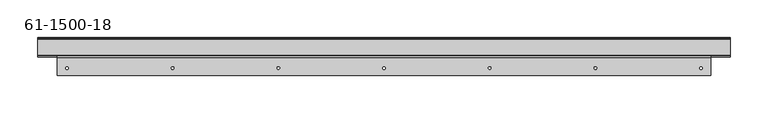
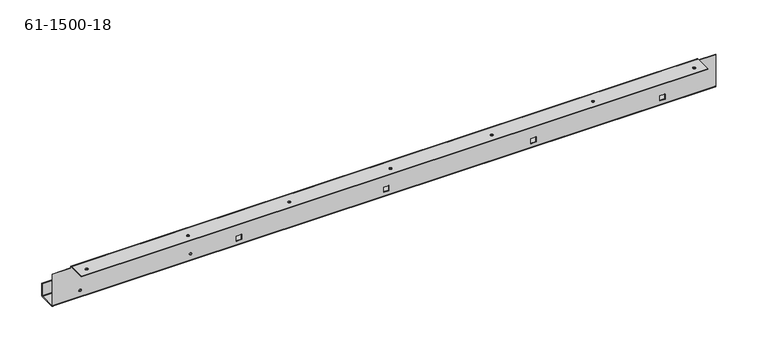
"""IFC4 building model written with IfcOpenShell, lengths in millimetres: proxy geometry, 61-1500-18."""

from ifc_helpers import new_model, si_unit, frame, origin, place, context, project, spatial, polyline, circle_curve, source, transform, mapped, element, save
from ifc_brep_helpers import plane_surface, cylinder_surface, revolved_surface, advanced_brep


def proxy_61_1500_18_3c8a4943(model_context):
    return source(origin(), model_context, "Body", "AdvancedBrep", [
        advanced_brep(
        [(-29.9940104, 25.0828774, -39.15156), (-29.9940104, 25.9363174, -39.15156), (-33.0420104, 25.9363174, -39.15156), (-33.0420104, 25.0828774, -39.15156), (-29.9940104, 49.6294374, -39.15156), (-29.9940104, 50.4828774, -39.15156), (-33.0420104, 50.4828774, -39.15156), (-33.0420104, 49.6294374, -39.15156), (-182.3940104, 25.0828774, -39.15156), (-182.3940104, 25.9363174, -39.15156), (-185.4420104, 25.9363174, -39.15156), (-185.4420104, 25.0828774, -39.15156), (-182.3940104, 49.6294374, -39.15156), (-182.3940104, 50.4828774, -39.15156), (-185.4420104, 50.4828774, -39.15156), (-185.4420104, 49.6294374, -39.15156), (656.4232096, 10.0613174, 0.0), (656.4232096, 10.0613174, 0.85344), (652.9942096, 10.0613174, 0.85344), (652.9942096, 10.0613174, 0.0), (377.0232096, 10.0613174, 0.0), (377.0232096, 10.0613174, 0.85344), (373.5942096, 10.0613174, 0.85344), (373.5942096, 10.0613174, 0.0), (97.6232096, 10.0613174, 0.0), (97.6232096, 10.0613174, 0.85344), (94.1942096, 10.0613174, 0.85344), (94.1942096, 10.0613174, 0.0), (-181.7767904, 10.0613174, 0.0), (-181.7767904, 10.0613174, 0.85344), (-185.2057904, 10.0613174, 0.85344), (-185.2057904, 10.0613174, 0.0), (-42.0767904, 10.0613174, 0.0), (-42.0767904, 10.0613174, 0.85344), (-45.5057904, 10.0613174, 0.85344), (-45.5057904, 10.0613174, 0.0), (237.3232096, 10.0613174, 0.0), (237.3232096, 10.0613174, 0.85344), (233.8942096, 10.0613174, 0.85344), (233.8942096, 10.0613174, 0.0), (516.7232096, 10.0613174, 0.0), (516.7232096, 10.0613174, 0.85344), (513.2942096, 10.0613174, 0.85344), (513.2942096, 10.0613174, 0.0), (-222.0180104, 49.6294374, -30.89656), (693.2354296, 49.6294374, -30.89656), (693.2354296, 50.4828774, -30.89656), (-222.0180104, 50.4828774, -30.89656), (-222.0180104, 50.4828774, -48.23968), (-222.0180104, 48.7759974, -49.94656), (-222.0180104, 26.7897574, -49.94656), (-222.0180104, 25.0828774, -48.23968), (-222.0180104, 25.0828774, -2.56032), (-222.0180104, 25.9363174, -2.56032), (-222.0180104, 25.9363174, -48.23968), (-222.0180104, 26.7897574, -49.09312), (-222.0180104, 48.7759974, -49.09312), (-222.0180104, 49.6294374, -48.23968), (693.2354296, 50.4828774, -48.23968), (615.8314696, 50.4828774, -35.81146), (615.8314696, 50.4828774, -42.49166), (616.1362696, 50.4828774, -42.79646), (622.8164696, 50.4828774, -42.79646), (623.1212696, 50.4828774, -42.49166), (623.1212696, 50.4828774, -35.81146), (622.8164696, 50.4828774, -35.50666), (616.1362696, 50.4828774, -35.50666), (242.1212696, 50.4828774, -42.49166), (242.1212696, 50.4828774, -35.81146), (241.8164696, 50.4828774, -35.50666), (235.1362696, 50.4828774, -35.50666), (234.8314696, 50.4828774, -35.81146), (234.8314696, 50.4828774, -42.49166), (235.1362696, 50.4828774, -42.79646), (241.8164696, 50.4828774, -42.79646), (38.6164696, 50.4828774, -35.50666), (31.9362696, 50.4828774, -35.50666), (31.6314696, 50.4828774, -35.81146), (31.6314696, 50.4828774, -42.49166), (31.9362696, 50.4828774, -42.79646), (38.6164696, 50.4828774, -42.79646), (38.9212696, 50.4828774, -42.49166), (38.9212696, 50.4828774, -35.81146), (445.3212696, 50.4828774, -42.49166), (445.3212696, 50.4828774, -35.81146), (445.0164696, 50.4828774, -35.50666), (438.3362696, 50.4828774, -35.50666), (438.0314696, 50.4828774, -35.81146), (438.0314696, 50.4828774, -42.49166), (438.3362696, 50.4828774, -42.79646), (445.0164696, 50.4828774, -42.79646), (438.0314696, 49.6294374, -35.81146), (438.0314696, 49.6294374, -42.49166), (438.0314696, 25.0828774, -35.81146), (438.0314696, 25.0828774, -42.49166), (438.0314696, 25.9363174, -42.49166), (438.0314696, 25.9363174, -35.81146), (438.3362696, 49.6294374, -42.79646), (438.3362696, 49.6294374, -35.50666), (438.3362696, 25.0828774, -35.50666), (438.3362696, 25.9363174, -35.50666), (445.0164696, 49.6294374, -42.79646), (445.0164696, 49.6294374, -35.50666), (445.0164696, 25.0828774, -35.50666), (445.0164696, 25.9363174, -35.50666), (445.3212696, 49.6294374, -42.49166), (445.3212696, 49.6294374, -35.81146), (445.3212696, 25.0828774, -35.81146), (445.3212696, 25.9363174, -35.81146), (445.3212696, 25.0828774, -42.49166), (445.3212696, 25.9363174, -42.49166), (445.0164696, 25.0828774, -42.79646), (445.0164696, 25.9363174, -42.79646), (438.3362696, 25.0828774, -42.79646), (438.3362696, 25.9363174, -42.79646), (31.9362696, 49.6294374, -42.79646), (38.6164696, 49.6294374, -42.79646), (31.9362696, 25.0828774, -42.79646), (38.6164696, 25.0828774, -42.79646), (38.6164696, 25.9363174, -42.79646), (31.9362696, 25.9363174, -42.79646), (38.9212696, 49.6294374, -42.49166), (31.6314696, 49.6294374, -42.49166), (31.6314696, 25.0828774, -42.49166), (31.6314696, 25.9363174, -42.49166), (38.9212696, 49.6294374, -35.81146), (31.6314696, 49.6294374, -35.81146), (31.6314696, 25.0828774, -35.81146), (31.6314696, 25.9363174, -35.81146), (38.6164696, 49.6294374, -35.50666), (31.9362696, 49.6294374, -35.50666), (31.9362696, 25.0828774, -35.50666), (31.9362696, 25.9363174, -35.50666), (38.6164696, 25.0828774, -35.50666), (38.6164696, 25.9363174, -35.50666), (38.9212696, 25.0828774, -35.81146), (38.9212696, 25.9363174, -35.81146), (38.9212696, 25.0828774, -42.49166), (38.9212696, 25.9363174, -42.49166), (234.8314696, 49.6294374, -35.81146), (234.8314696, 49.6294374, -42.49166), (234.8314696, 25.0828774, -35.81146), (234.8314696, 25.0828774, -42.49166), (234.8314696, 25.9363174, -42.49166), (234.8314696, 25.9363174, -35.81146), (235.1362696, 49.6294374, -42.79646), (235.1362696, 49.6294374, -35.50666), (235.1362696, 25.0828774, -35.50666), (235.1362696, 25.9363174, -35.50666), (241.8164696, 49.6294374, -42.79646), (241.8164696, 49.6294374, -35.50666), (241.8164696, 25.0828774, -35.50666), (241.8164696, 25.9363174, -35.50666), (242.1212696, 49.6294374, -42.49166), (242.1212696, 49.6294374, -35.81146), (242.1212696, 25.0828774, -35.81146), (242.1212696, 25.9363174, -35.81146), (242.1212696, 25.0828774, -42.49166), (242.1212696, 25.9363174, -42.49166), (241.8164696, 25.0828774, -42.79646), (241.8164696, 25.9363174, -42.79646), (235.1362696, 25.0828774, -42.79646), (235.1362696, 25.9363174, -42.79646), (623.1212696, 49.6294374, -42.49166), (623.1212696, 49.6294374, -35.81146), (623.1212696, 25.0828774, -42.49166), (623.1212696, 25.0828774, -35.81146), (623.1212696, 25.9363174, -35.81146), (623.1212696, 25.9363174, -42.49166), (622.8164696, 49.6294374, -35.50666), (622.8164696, 49.6294374, -42.79646), (622.8164696, 25.0828774, -42.79646), (622.8164696, 25.9363174, -42.79646), (616.1362696, 49.6294374, -35.50666), (616.1362696, 49.6294374, -42.79646), (616.1362696, 25.0828774, -42.79646), (616.1362696, 25.9363174, -42.79646), (615.8314696, 49.6294374, -35.81146), (615.8314696, 49.6294374, -42.49166), (615.8314696, 25.0828774, -42.49166), (615.8314696, 25.9363174, -42.49166), (615.8314696, 25.0828774, -35.81146), (615.8314696, 25.9363174, -35.81146), (616.1362696, 25.0828774, -35.50666), (616.1362696, 25.9363174, -35.50666), (622.8164696, 25.0828774, -35.50666), (622.8164696, 25.9363174, -35.50666), (693.2354296, 48.7759974, -49.94656), (693.2354296, 49.6294374, -48.23968), (693.2354296, 48.7759974, -49.09312), (693.2354296, 26.7897574, -49.94656), (693.2354296, 25.0828774, -48.23968), (693.2354296, 26.7897574, -49.09312), (693.2354296, 25.9363174, -48.23968), (693.2354296, 25.0828774, -2.56032), (667.8354296, 25.0828774, -2.56032), (667.8354296, 25.0828774, -0.85344), (-196.6180104, 25.0828774, -0.85344), (-196.6180104, 25.0828774, -2.56032), (693.2354296, 25.9363174, -2.56032), (667.8354296, 25.9363174, -2.56032), (667.8354296, 25.9363174, -0.85344), (667.8354296, 24.2294374, 0.85344), (667.8354296, 0.5363174, 0.85344), (667.8354296, 0.5363174, 0.0), (667.8354296, 24.2294374, 0.0), (-196.6180104, 24.2294374, 0.85344), (-196.6180104, 25.9363174, -0.85344), (-196.6180104, 25.9363174, -2.56032), (-196.6180104, 24.2294374, 0.0), (-196.6180104, 0.5363174, 0.0), (-196.6180104, 0.5363174, 0.85344)],
        [
            (0, 1),
            (1, 2, circle_curve(frame((-31.5180104, 25.9363174, -39.15156), z_axis=(0.0, 1.0, 0.0), x_axis=(1.0, 0.0, 0.0)), 1.524)),
            (2, 3),
            (3, 0, circle_curve(frame((-31.5180104, 25.0828774, -39.15156), z_axis=(0.0, -1.0, 0.0), x_axis=(1.0, 0.0, 0.0)), 1.524)),
            (4, 5),
            (5, 6, circle_curve(frame((-31.5180104, 50.4828774, -39.15156), z_axis=(0.0, 1.0, 0.0), x_axis=(1.0, 0.0, 0.0)), 1.524)),
            (6, 7),
            (7, 4, circle_curve(frame((-31.5180104, 49.6294374, -39.15156), z_axis=(0.0, -1.0, 0.0), x_axis=(1.0, 0.0, 0.0)), 1.524)),
            (8, 9),
            (9, 10, circle_curve(frame((-183.9180104, 25.9363174, -39.15156), z_axis=(0.0, 1.0, 0.0), x_axis=(1.0, 0.0, 0.0)), 1.524)),
            (10, 11),
            (11, 8, circle_curve(frame((-183.9180104, 25.0828774, -39.15156), z_axis=(0.0, -1.0, 0.0), x_axis=(1.0, 0.0, 0.0)), 1.524)),
            (12, 13),
            (13, 14, circle_curve(frame((-183.9180104, 50.4828774, -39.15156), z_axis=(0.0, 1.0, 0.0), x_axis=(1.0, 0.0, 0.0)), 1.524)),
            (14, 15),
            (15, 12, circle_curve(frame((-183.9180104, 49.6294374, -39.15156), z_axis=(0.0, -1.0, 0.0), x_axis=(1.0, 0.0, 0.0)), 1.524)),
            (16, 17),
            (17, 18, circle_curve(frame((654.7087096, 10.0613174, 0.85344), z_axis=(0.0, 0.0, 1.0), x_axis=(1.0, 0.0, 0.0)), 1.7145)),
            (18, 19),
            (19, 16, circle_curve(frame((654.7087096, 10.0613174, 0.0), z_axis=(0.0, 0.0, -1.0), x_axis=(1.0, 0.0, 0.0)), 1.7145)),
            (20, 21),
            (21, 22, circle_curve(frame((375.3087096, 10.0613174, 0.85344), z_axis=(0.0, 0.0, 1.0), x_axis=(1.0, 0.0, 0.0)), 1.7145)),
            (22, 23),
            (23, 20, circle_curve(frame((375.3087096, 10.0613174, 0.0), z_axis=(0.0, 0.0, -1.0), x_axis=(1.0, 0.0, 0.0)), 1.7145)),
            (24, 25),
            (25, 26, circle_curve(frame((95.9087096, 10.0613174, 0.85344), z_axis=(0.0, 0.0, 1.0), x_axis=(1.0, 0.0, 0.0)), 1.7145)),
            (26, 27),
            (27, 24, circle_curve(frame((95.9087096, 10.0613174, 0.0), z_axis=(0.0, 0.0, -1.0), x_axis=(1.0, 0.0, 0.0)), 1.7145)),
            (28, 29),
            (29, 30, circle_curve(frame((-183.4912904, 10.0613174, 0.85344), z_axis=(0.0, 0.0, 1.0), x_axis=(1.0, 0.0, 0.0)), 1.7145)),
            (30, 31),
            (31, 28, circle_curve(frame((-183.4912904, 10.0613174, 0.0), z_axis=(0.0, 0.0, -1.0), x_axis=(1.0, 0.0, 0.0)), 1.7145)),
            (32, 33),
            (33, 34, circle_curve(frame((-43.7912904, 10.0613174, 0.85344), z_axis=(0.0, 0.0, 1.0), x_axis=(1.0, 0.0, 0.0)), 1.7145)),
            (34, 35),
            (35, 32, circle_curve(frame((-43.7912904, 10.0613174, 0.0), z_axis=(0.0, 0.0, -1.0), x_axis=(1.0, 0.0, 0.0)), 1.7145)),
            (36, 37),
            (37, 38, circle_curve(frame((235.6087096, 10.0613174, 0.85344), z_axis=(0.0, 0.0, 1.0), x_axis=(1.0, 0.0, 0.0)), 1.7145)),
            (38, 39),
            (39, 36, circle_curve(frame((235.6087096, 10.0613174, 0.0), z_axis=(0.0, 0.0, -1.0), x_axis=(1.0, 0.0, 0.0)), 1.7145)),
            (40, 41),
            (41, 42, circle_curve(frame((515.0087096, 10.0613174, 0.85344), z_axis=(0.0, 0.0, 1.0), x_axis=(1.0, 0.0, 0.0)), 1.7145)),
            (42, 43),
            (43, 40, circle_curve(frame((515.0087096, 10.0613174, 0.0), z_axis=(0.0, 0.0, -1.0), x_axis=(1.0, 0.0, 0.0)), 1.7145)),
            (44, 45),
            (45, 46),
            (46, 47),
            (47, 44),
            (47, 48),
            (48, 49, circle_curve(frame((-222.0180104, 48.7759974, -48.23968), z_axis=(-1.0, 0.0, 0.0), x_axis=(0.0, 0.0, -1.0)), 1.70688)),
            (49, 50),
            (50, 51, circle_curve(frame((-222.0180104, 26.7897574, -48.23968), z_axis=(-1.0, 0.0, 0.0), x_axis=(0.0, -1.0, 0.0)), 1.70688)),
            (51, 52),
            (52, 53),
            (53, 54),
            (54, 55, circle_curve(frame((-222.0180104, 26.7897574, -48.23968), z_axis=(1.0, 0.0, 0.0), x_axis=(0.0, -1.0, 0.0)), 0.85344)),
            (55, 56),
            (56, 57, circle_curve(frame((-222.0180104, 48.7759974, -48.23968), z_axis=(1.0, 0.0, 0.0), x_axis=(0.0, 0.0, -1.0)), 0.85344)),
            (57, 44),
            (46, 58),
            (58, 48),
            (5, 6, circle_curve(frame((-31.5180104, 50.4828774, -39.15156), z_axis=(0.0, -1.0, 0.0), x_axis=(1.0, 0.0, 0.0)), 1.524)),
            (13, 14, circle_curve(frame((-183.9180104, 50.4828774, -39.15156), z_axis=(0.0, -1.0, 0.0), x_axis=(1.0, 0.0, 0.0)), 1.524)),
            (59, 60),
            (60, 61, circle_curve(frame((616.1362696, 50.4828774, -42.49166), z_axis=(0.0, -1.0, 0.0), x_axis=(0.0, 0.0, -1.0)), 0.3048)),
            (61, 62),
            (62, 63, circle_curve(frame((622.8164696, 50.4828774, -42.49166), z_axis=(0.0, -1.0, 0.0), x_axis=(1.0, 0.0, 0.0)), 0.3048)),
            (63, 64),
            (64, 65, circle_curve(frame((622.8164696, 50.4828774, -35.81146), z_axis=(0.0, -1.0, 0.0), x_axis=(0.0, 0.0, 1.0)), 0.3048)),
            (65, 66),
            (66, 59, circle_curve(frame((616.1362696, 50.4828774, -35.81146), z_axis=(0.0, -1.0, 0.0), x_axis=(-1.0, 0.0, 0.0)), 0.3048)),
            (67, 68),
            (68, 69, circle_curve(frame((241.8164696, 50.4828774, -35.81146), z_axis=(0.0, -1.0, 0.0), x_axis=(0.0, 0.0, -1.0)), 0.3048)),
            (69, 70),
            (70, 71, circle_curve(frame((235.1362696, 50.4828774, -35.81146), z_axis=(0.0, -1.0, 0.0), x_axis=(1.0, 0.0, 0.0)), 0.3048)),
            (71, 72),
            (72, 73, circle_curve(frame((235.1362696, 50.4828774, -42.49166), z_axis=(0.0, -1.0, 0.0), x_axis=(0.0, 0.0, 1.0)), 0.3048)),
            (73, 74),
            (74, 67, circle_curve(frame((241.8164696, 50.4828774, -42.49166), z_axis=(0.0, -1.0, 0.0), x_axis=(-1.0, 0.0, 0.0)), 0.3048)),
            (75, 76),
            (76, 77, circle_curve(frame((31.9362696, 50.4828774, -35.81146), z_axis=(0.0, -1.0, 0.0), x_axis=(1.0, 0.0, 0.0)), 0.3048)),
            (77, 78),
            (78, 79, circle_curve(frame((31.9362696, 50.4828774, -42.49166), z_axis=(0.0, -1.0, 0.0), x_axis=(0.0, 0.0, 1.0)), 0.3048)),
            (79, 80),
            (80, 81, circle_curve(frame((38.6164696, 50.4828774, -42.49166), z_axis=(0.0, -1.0, 0.0), x_axis=(-1.0, 0.0, 0.0)), 0.3048)),
            (81, 82),
            (82, 75, circle_curve(frame((38.6164696, 50.4828774, -35.81146), z_axis=(0.0, -1.0, 0.0), x_axis=(0.0, 0.0, -1.0)), 0.3048)),
            (83, 84),
            (84, 85, circle_curve(frame((445.0164696, 50.4828774, -35.81146), z_axis=(0.0, -1.0, 0.0), x_axis=(0.0, 0.0, -1.0)), 0.3048)),
            (85, 86),
            (86, 87, circle_curve(frame((438.3362696, 50.4828774, -35.81146), z_axis=(0.0, -1.0, 0.0), x_axis=(1.0, 0.0, 0.0)), 0.3048)),
            (87, 88),
            (88, 89, circle_curve(frame((438.3362696, 50.4828774, -42.49166), z_axis=(0.0, -1.0, 0.0), x_axis=(0.0, 0.0, 1.0)), 0.3048)),
            (89, 90),
            (90, 83, circle_curve(frame((445.0164696, 50.4828774, -42.49166), z_axis=(0.0, -1.0, 0.0), x_axis=(-1.0, 0.0, 0.0)), 0.3048)),
            (40, 43, circle_curve(frame((515.0087096, 10.0613174, 0.0), z_axis=(0.0, 0.0, -1.0), x_axis=(1.0, 0.0, 0.0)), 1.7145)),
            (42, 41, circle_curve(frame((515.0087096, 10.0613174, 0.85344), z_axis=(0.0, 0.0, 1.0), x_axis=(1.0, 0.0, 0.0)), 1.7145)),
            (36, 39, circle_curve(frame((235.6087096, 10.0613174, 0.0), z_axis=(0.0, 0.0, -1.0), x_axis=(1.0, 0.0, 0.0)), 1.7145)),
            (38, 37, circle_curve(frame((235.6087096, 10.0613174, 0.85344), z_axis=(0.0, 0.0, 1.0), x_axis=(1.0, 0.0, 0.0)), 1.7145)),
            (32, 35, circle_curve(frame((-43.7912904, 10.0613174, 0.0), z_axis=(0.0, 0.0, -1.0), x_axis=(1.0, 0.0, 0.0)), 1.7145)),
            (34, 33, circle_curve(frame((-43.7912904, 10.0613174, 0.85344), z_axis=(0.0, 0.0, 1.0), x_axis=(1.0, 0.0, 0.0)), 1.7145)),
            (28, 31, circle_curve(frame((-183.4912904, 10.0613174, 0.0), z_axis=(0.0, 0.0, -1.0), x_axis=(1.0, 0.0, 0.0)), 1.7145)),
            (30, 29, circle_curve(frame((-183.4912904, 10.0613174, 0.85344), z_axis=(0.0, 0.0, 1.0), x_axis=(1.0, 0.0, 0.0)), 1.7145)),
            (24, 27, circle_curve(frame((95.9087096, 10.0613174, 0.0), z_axis=(0.0, 0.0, -1.0), x_axis=(1.0, 0.0, 0.0)), 1.7145)),
            (26, 25, circle_curve(frame((95.9087096, 10.0613174, 0.85344), z_axis=(0.0, 0.0, 1.0), x_axis=(1.0, 0.0, 0.0)), 1.7145)),
            (20, 23, circle_curve(frame((375.3087096, 10.0613174, 0.0), z_axis=(0.0, 0.0, -1.0), x_axis=(1.0, 0.0, 0.0)), 1.7145)),
            (22, 21, circle_curve(frame((375.3087096, 10.0613174, 0.85344), z_axis=(0.0, 0.0, 1.0), x_axis=(1.0, 0.0, 0.0)), 1.7145)),
            (16, 19, circle_curve(frame((654.7087096, 10.0613174, 0.0), z_axis=(0.0, 0.0, -1.0), x_axis=(1.0, 0.0, 0.0)), 1.7145)),
            (18, 17, circle_curve(frame((654.7087096, 10.0613174, 0.85344), z_axis=(0.0, 0.0, 1.0), x_axis=(1.0, 0.0, 0.0)), 1.7145)),
            (91, 92),
            (92, 88),
            (87, 91),
            (93, 94),
            (94, 95),
            (95, 96),
            (96, 93),
            (92, 97, circle_curve(frame((438.3362696, 49.6294374, -42.49166), z_axis=(0.0, -1.0, 0.0), x_axis=(0.0, 0.0, 1.0)), 0.3048)),
            (97, 89),
            (98, 91, circle_curve(frame((438.3362696, 49.6294374, -35.81146), z_axis=(0.0, -1.0, 0.0), x_axis=(1.0, 0.0, 0.0)), 0.3048)),
            (86, 98),
            (99, 93, circle_curve(frame((438.3362696, 25.0828774, -35.81146), z_axis=(0.0, -1.0, 0.0), x_axis=(1.0, 0.0, 0.0)), 0.3048)),
            (96, 100, circle_curve(frame((438.3362696, 25.9363174, -35.81146), z_axis=(0.0, 1.0, 0.0), x_axis=(1.0, 0.0, 0.0)), 0.3048)),
            (100, 99),
            (97, 101),
            (101, 90),
            (102, 98),
            (85, 102),
            (103, 99),
            (100, 104),
            (104, 103),
            (101, 105, circle_curve(frame((445.0164696, 49.6294374, -42.49166), z_axis=(0.0, -1.0, 0.0), x_axis=(-1.0, 0.0, 0.0)), 0.3048)),
            (105, 83),
            (106, 102, circle_curve(frame((445.0164696, 49.6294374, -35.81146), z_axis=(0.0, -1.0, 0.0), x_axis=(0.0, 0.0, -1.0)), 0.3048)),
            (84, 106),
            (107, 103, circle_curve(frame((445.0164696, 25.0828774, -35.81146), z_axis=(0.0, -1.0, 0.0), x_axis=(0.0, 0.0, -1.0)), 0.3048)),
            (104, 108, circle_curve(frame((445.0164696, 25.9363174, -35.81146), z_axis=(0.0, 1.0, 0.0), x_axis=(0.0, 0.0, -1.0)), 0.3048)),
            (108, 107),
            (105, 106),
            (109, 107),
            (108, 110),
            (110, 109),
            (111, 109, circle_curve(frame((445.0164696, 25.0828774, -42.49166), z_axis=(0.0, -1.0, 0.0), x_axis=(-1.0, 0.0, 0.0)), 0.3048)),
            (110, 112, circle_curve(frame((445.0164696, 25.9363174, -42.49166), z_axis=(0.0, 1.0, 0.0), x_axis=(-1.0, 0.0, 0.0)), 0.3048)),
            (112, 111),
            (113, 111),
            (112, 114),
            (114, 113),
            (94, 113, circle_curve(frame((438.3362696, 25.0828774, -42.49166), z_axis=(0.0, -1.0, 0.0), x_axis=(0.0, 0.0, 1.0)), 0.3048)),
            (114, 95, circle_curve(frame((438.3362696, 25.9363174, -42.49166), z_axis=(0.0, 1.0, 0.0), x_axis=(0.0, 0.0, 1.0)), 0.3048)),
            (115, 116),
            (116, 80),
            (79, 115),
            (117, 118),
            (118, 119),
            (119, 120),
            (120, 117),
            (116, 121, circle_curve(frame((38.6164696, 49.6294374, -42.49166), z_axis=(0.0, -1.0, 0.0), x_axis=(-1.0, 0.0, 0.0)), 0.3048)),
            (121, 81),
            (122, 115, circle_curve(frame((31.9362696, 49.6294374, -42.49166), z_axis=(0.0, -1.0, 0.0), x_axis=(0.0, 0.0, 1.0)), 0.3048)),
            (78, 122),
            (123, 117, circle_curve(frame((31.9362696, 25.0828774, -42.49166), z_axis=(0.0, -1.0, 0.0), x_axis=(0.0, 0.0, 1.0)), 0.3048)),
            (120, 124, circle_curve(frame((31.9362696, 25.9363174, -42.49166), z_axis=(0.0, 1.0, 0.0), x_axis=(0.0, 0.0, 1.0)), 0.3048)),
            (124, 123),
            (121, 125),
            (125, 82),
            (126, 122),
            (77, 126),
            (127, 123),
            (124, 128),
            (128, 127),
            (125, 129, circle_curve(frame((38.6164696, 49.6294374, -35.81146), z_axis=(0.0, -1.0, 0.0), x_axis=(0.0, 0.0, -1.0)), 0.3048)),
            (129, 75),
            (130, 126, circle_curve(frame((31.9362696, 49.6294374, -35.81146), z_axis=(0.0, -1.0, 0.0), x_axis=(1.0, 0.0, 0.0)), 0.3048)),
            (76, 130),
            (131, 127, circle_curve(frame((31.9362696, 25.0828774, -35.81146), z_axis=(0.0, -1.0, 0.0), x_axis=(1.0, 0.0, 0.0)), 0.3048)),
            (128, 132, circle_curve(frame((31.9362696, 25.9363174, -35.81146), z_axis=(0.0, 1.0, 0.0), x_axis=(1.0, 0.0, 0.0)), 0.3048)),
            (132, 131),
            (129, 130),
            (133, 131),
            (132, 134),
            (134, 133),
            (135, 133, circle_curve(frame((38.6164696, 25.0828774, -35.81146), z_axis=(0.0, -1.0, 0.0), x_axis=(0.0, 0.0, -1.0)), 0.3048)),
            (134, 136, circle_curve(frame((38.6164696, 25.9363174, -35.81146), z_axis=(0.0, 1.0, 0.0), x_axis=(0.0, 0.0, -1.0)), 0.3048)),
            (136, 135),
            (137, 135),
            (136, 138),
            (138, 137),
            (118, 137, circle_curve(frame((38.6164696, 25.0828774, -42.49166), z_axis=(0.0, -1.0, 0.0), x_axis=(-1.0, 0.0, 0.0)), 0.3048)),
            (138, 119, circle_curve(frame((38.6164696, 25.9363174, -42.49166), z_axis=(0.0, 1.0, 0.0), x_axis=(-1.0, 0.0, 0.0)), 0.3048)),
            (139, 140),
            (140, 72),
            (71, 139),
            (141, 142),
            (142, 143),
            (143, 144),
            (144, 141),
            (140, 145, circle_curve(frame((235.1362696, 49.6294374, -42.49166), z_axis=(0.0, -1.0, 0.0), x_axis=(0.0, 0.0, 1.0)), 0.3048)),
            (145, 73),
            (146, 139, circle_curve(frame((235.1362696, 49.6294374, -35.81146), z_axis=(0.0, -1.0, 0.0), x_axis=(1.0, 0.0, 0.0)), 0.3048)),
            (70, 146),
            (147, 141, circle_curve(frame((235.1362696, 25.0828774, -35.81146), z_axis=(0.0, -1.0, 0.0), x_axis=(1.0, 0.0, 0.0)), 0.3048)),
            (144, 148, circle_curve(frame((235.1362696, 25.9363174, -35.81146), z_axis=(0.0, 1.0, 0.0), x_axis=(1.0, 0.0, 0.0)), 0.3048)),
            (148, 147),
            (145, 149),
            (149, 74),
            (150, 146),
            (69, 150),
            (151, 147),
            (148, 152),
            (152, 151),
            (149, 153, circle_curve(frame((241.8164696, 49.6294374, -42.49166), z_axis=(0.0, -1.0, 0.0), x_axis=(-1.0, 0.0, 0.0)), 0.3048)),
            (153, 67),
            (154, 150, circle_curve(frame((241.8164696, 49.6294374, -35.81146), z_axis=(0.0, -1.0, 0.0), x_axis=(0.0, 0.0, -1.0)), 0.3048)),
            (68, 154),
            (155, 151, circle_curve(frame((241.8164696, 25.0828774, -35.81146), z_axis=(0.0, -1.0, 0.0), x_axis=(0.0, 0.0, -1.0)), 0.3048)),
            (152, 156, circle_curve(frame((241.8164696, 25.9363174, -35.81146), z_axis=(0.0, 1.0, 0.0), x_axis=(0.0, 0.0, -1.0)), 0.3048)),
            (156, 155),
            (153, 154),
            (157, 155),
            (156, 158),
            (158, 157),
            (159, 157, circle_curve(frame((241.8164696, 25.0828774, -42.49166), z_axis=(0.0, -1.0, 0.0), x_axis=(-1.0, 0.0, 0.0)), 0.3048)),
            (158, 160, circle_curve(frame((241.8164696, 25.9363174, -42.49166), z_axis=(0.0, 1.0, 0.0), x_axis=(-1.0, 0.0, 0.0)), 0.3048)),
            (160, 159),
            (161, 159),
            (160, 162),
            (162, 161),
            (142, 161, circle_curve(frame((235.1362696, 25.0828774, -42.49166), z_axis=(0.0, -1.0, 0.0), x_axis=(0.0, 0.0, 1.0)), 0.3048)),
            (162, 143, circle_curve(frame((235.1362696, 25.9363174, -42.49166), z_axis=(0.0, 1.0, 0.0), x_axis=(0.0, 0.0, 1.0)), 0.3048)),
            (163, 164),
            (164, 64),
            (63, 163),
            (165, 166),
            (166, 167),
            (167, 168),
            (168, 165),
            (164, 169, circle_curve(frame((622.8164696, 49.6294374, -35.81146), z_axis=(0.0, -1.0, 0.0), x_axis=(0.0, 0.0, 1.0)), 0.3048)),
            (169, 65),
            (170, 163, circle_curve(frame((622.8164696, 49.6294374, -42.49166), z_axis=(0.0, -1.0, 0.0), x_axis=(1.0, 0.0, 0.0)), 0.3048)),
            (62, 170),
            (171, 165, circle_curve(frame((622.8164696, 25.0828774, -42.49166), z_axis=(0.0, -1.0, 0.0), x_axis=(1.0, 0.0, 0.0)), 0.3048)),
            (168, 172, circle_curve(frame((622.8164696, 25.9363174, -42.49166), z_axis=(0.0, 1.0, 0.0), x_axis=(1.0, 0.0, 0.0)), 0.3048)),
            (172, 171),
            (169, 173),
            (173, 66),
            (174, 170),
            (61, 174),
            (175, 171),
            (172, 176),
            (176, 175),
            (173, 177, circle_curve(frame((616.1362696, 49.6294374, -35.81146), z_axis=(0.0, -1.0, 0.0), x_axis=(-1.0, 0.0, 0.0)), 0.3048)),
            (177, 59),
            (178, 174, circle_curve(frame((616.1362696, 49.6294374, -42.49166), z_axis=(0.0, -1.0, 0.0), x_axis=(0.0, 0.0, -1.0)), 0.3048)),
            (60, 178),
            (179, 175, circle_curve(frame((616.1362696, 25.0828774, -42.49166), z_axis=(0.0, -1.0, 0.0), x_axis=(0.0, 0.0, -1.0)), 0.3048)),
            (176, 180, circle_curve(frame((616.1362696, 25.9363174, -42.49166), z_axis=(0.0, 1.0, 0.0), x_axis=(0.0, 0.0, -1.0)), 0.3048)),
            (180, 179),
            (177, 178),
            (181, 179),
            (180, 182),
            (182, 181),
            (183, 181, circle_curve(frame((616.1362696, 25.0828774, -35.81146), z_axis=(0.0, -1.0, 0.0), x_axis=(-1.0, 0.0, 0.0)), 0.3048)),
            (182, 184, circle_curve(frame((616.1362696, 25.9363174, -35.81146), z_axis=(0.0, 1.0, 0.0), x_axis=(-1.0, 0.0, 0.0)), 0.3048)),
            (184, 183),
            (185, 183),
            (184, 186),
            (186, 185),
            (166, 185, circle_curve(frame((622.8164696, 25.0828774, -35.81146), z_axis=(0.0, -1.0, 0.0), x_axis=(0.0, 0.0, 1.0)), 0.3048)),
            (186, 167, circle_curve(frame((622.8164696, 25.9363174, -35.81146), z_axis=(0.0, 1.0, 0.0), x_axis=(0.0, 0.0, 1.0)), 0.3048)),
            (12, 15, circle_curve(frame((-183.9180104, 49.6294374, -39.15156), z_axis=(0.0, -1.0, 0.0), x_axis=(1.0, 0.0, 0.0)), 1.524)),
            (8, 11, circle_curve(frame((-183.9180104, 25.0828774, -39.15156), z_axis=(0.0, -1.0, 0.0), x_axis=(1.0, 0.0, 0.0)), 1.524)),
            (10, 9, circle_curve(frame((-183.9180104, 25.9363174, -39.15156), z_axis=(0.0, 1.0, 0.0), x_axis=(1.0, 0.0, 0.0)), 1.524)),
            (4, 7, circle_curve(frame((-31.5180104, 49.6294374, -39.15156), z_axis=(0.0, -1.0, 0.0), x_axis=(1.0, 0.0, 0.0)), 1.524)),
            (0, 3, circle_curve(frame((-31.5180104, 25.0828774, -39.15156), z_axis=(0.0, -1.0, 0.0), x_axis=(1.0, 0.0, 0.0)), 1.524)),
            (2, 1, circle_curve(frame((-31.5180104, 25.9363174, -39.15156), z_axis=(0.0, 1.0, 0.0), x_axis=(1.0, 0.0, 0.0)), 1.524)),
            (58, 187, circle_curve(frame((693.2354296, 48.7759974, -48.23968), z_axis=(-1.0, 0.0, 0.0), x_axis=(0.0, 0.0, -1.0)), 1.70688)),
            (187, 49),
            (188, 57),
            (56, 189),
            (189, 188, circle_curve(frame((693.2354296, 48.7759974, -48.23968), z_axis=(1.0, 0.0, 0.0), x_axis=(0.0, 0.0, -1.0)), 0.85344)),
            (187, 190),
            (190, 50),
            (190, 191, circle_curve(frame((693.2354296, 26.7897574, -48.23968), z_axis=(-1.0, 0.0, 0.0), x_axis=(0.0, -1.0, 0.0)), 1.70688)),
            (191, 51),
            (192, 55),
            (54, 193),
            (193, 192, circle_curve(frame((693.2354296, 26.7897574, -48.23968), z_axis=(1.0, 0.0, 0.0), x_axis=(0.0, -1.0, 0.0)), 0.85344)),
            (191, 194),
            (194, 195),
            (195, 196),
            (196, 197),
            (197, 198),
            (198, 52),
            (194, 199),
            (199, 200),
            (200, 195),
            (201, 202, circle_curve(frame((667.8354296, 24.2294374, -0.85344), z_axis=(1.0, 0.0, 0.0), x_axis=(0.0, 0.0, 1.0)), 1.70688)),
            (202, 203),
            (203, 204),
            (204, 205),
            (205, 196, circle_curve(frame((667.8354296, 24.2294374, -0.85344), z_axis=(-1.0, 0.0, 0.0), x_axis=(0.0, 0.0, 1.0)), 0.85344)),
            (200, 201),
            (206, 207, circle_curve(frame((-196.6180104, 24.2294374, -0.85344), z_axis=(-1.0, 0.0, 0.0), x_axis=(0.0, 0.0, 1.0)), 1.70688)),
            (207, 208),
            (208, 198),
            (197, 209, circle_curve(frame((-196.6180104, 24.2294374, -0.85344), z_axis=(1.0, 0.0, 0.0), x_axis=(0.0, 0.0, 1.0)), 0.85344)),
            (209, 210),
            (210, 211),
            (211, 206),
            (208, 53),
            (207, 201),
            (199, 193),
            (206, 202),
            (205, 209),
            (211, 203),
            (210, 204),
            (192, 189),
            (45, 188),
        ],
        [
            revolved_surface(polyline([(-29.9940104, 25.936317400000007, -39.15156), (-29.9940104, 25.08287740000003, -39.15156)]), (-31.5180104, -867.5389951, -39.15156), (0.0, 1.0, 0.0)),
            revolved_surface(polyline([(-29.9940104, 50.48287740000001, -39.15156), (-29.9940104, 49.62943740000003, -39.15156)]), (-31.5180104, -867.5389951, -39.15156), (0.0, 1.0, 0.0)),
            revolved_surface(polyline([(-182.39401039999998, 25.936317400000007, -39.15156), (-182.39401039999998, 25.08287740000003, -39.15156)]), (-183.9180104, -867.5389951, -39.15156), (0.0, 1.0, 0.0)),
            revolved_surface(polyline([(-182.39401039999998, 50.48287740000001, -39.15156), (-182.39401039999998, 49.62943740000003, -39.15156)]), (-183.9180104, -867.5389951, -39.15156), (0.0, 1.0, 0.0)),
            revolved_surface(polyline([(656.4232096000001, 10.0613174, 0.8534399999999991), (656.4232096000001, 10.0613174, 0.0)]), (654.7087096, 10.0613174, -8.67156), (0.0, 0.0, 1.0)),
            revolved_surface(polyline([(377.0232096, 10.0613174, 0.8534399999999991), (377.0232096, 10.0613174, 0.0)]), (375.3087096, 10.0613174, -8.67156), (0.0, 0.0, 1.0)),
            revolved_surface(polyline([(97.6232096, 10.0613174, 0.8534399999999991), (97.6232096, 10.0613174, 0.0)]), (95.9087096, 10.0613174, -8.67156), (0.0, 0.0, 1.0)),
            revolved_surface(polyline([(-181.7767904, 10.0613174, 0.8534399999999991), (-181.7767904, 10.0613174, 0.0)]), (-183.4912904, 10.0613174, -8.67156), (0.0, 0.0, 1.0)),
            revolved_surface(polyline([(-42.0767904, 10.0613174, 0.8534399999999991), (-42.0767904, 10.0613174, 0.0)]), (-43.7912904, 10.0613174, -8.67156), (0.0, 0.0, 1.0)),
            revolved_surface(polyline([(237.32320959999998, 10.0613174, 0.8534399999999991), (237.32320959999998, 10.0613174, 0.0)]), (235.6087096, 10.0613174, -8.67156), (0.0, 0.0, 1.0)),
            revolved_surface(polyline([(516.7232096, 10.0613174, 0.8534399999999991), (516.7232096, 10.0613174, 0.0)]), (515.0087096, 10.0613174, -8.67156), (0.0, 0.0, 1.0)),
            plane_surface(frame((693.2354296, 50.4828774, -30.89656), z_axis=(0.0, 0.0, 1.0), x_axis=(-1.0, 0.0, 0.0))),
            plane_surface(frame((-222.0180104, 50.4828774, -49.94656), z_axis=(-1.0, 0.0, 0.0), x_axis=(0.0, 0.0, 1.0))),
            plane_surface(frame((235.6087096, 50.4828774, -24.54656), z_axis=(0.0, 1.0, 0.0), x_axis=(0.0, 0.0, 1.0))),
            plane_surface(frame((438.0314696, 50.4828774, -42.49166), z_axis=(1.0, 0.0, 0.0), x_axis=(0.0, 0.0, 1.0))),
            revolved_surface(polyline([(438.3362696, 49.6294374, -42.18686), (438.3362696, 50.4828774, -42.18686)]), (438.3362696, 50.4828774, -42.49166), (0.0, -1.0, 0.0)),
            revolved_surface(polyline([(438.6410696, 49.6294374, -35.81146), (438.6410696, 50.4828774, -35.81146)]), (438.3362696, 50.4828774, -35.81146), (0.0, -1.0, 0.0)),
            revolved_surface(polyline([(438.6410696, 25.0828774, -35.81146), (438.6410696, 25.9363174, -35.81146)]), (438.3362696, 50.4828774, -35.81146), (0.0, -1.0, 0.0)),
            plane_surface(frame((445.0164696, 50.4828774, -42.79646), z_axis=(0.0, 0.0, 1.0), x_axis=(-1.0, 0.0, 0.0))),
            plane_surface(frame((438.3362696, 50.4828774, -35.50666), z_axis=(0.0, 0.0, -1.0), x_axis=(1.0, 0.0, 0.0))),
            revolved_surface(polyline([(444.7116696, 49.6294374, -42.49166), (444.7116696, 50.4828774, -42.49166)]), (445.0164696, 50.4828774, -42.49166), (0.0, -1.0, 0.0)),
            revolved_surface(polyline([(445.0164696, 49.6294374, -36.11626), (445.0164696, 50.4828774, -36.11626)]), (445.0164696, 50.4828774, -35.81146), (0.0, -1.0, 0.0)),
            revolved_surface(polyline([(445.0164696, 25.0828774, -36.11626), (445.0164696, 25.9363174, -36.11626)]), (445.0164696, 50.4828774, -35.81146), (0.0, -1.0, 0.0)),
            plane_surface(frame((445.3212696, 50.4828774, -35.81146), z_axis=(-1.0, 0.0, 0.0), x_axis=(0.0, 0.0, -1.0))),
            revolved_surface(polyline([(444.7116696, 25.0828774, -42.49166), (444.7116696, 25.9363174, -42.49166)]), (445.0164696, 50.4828774, -42.49166), (0.0, -1.0, 0.0)),
            revolved_surface(polyline([(438.3362696, 25.0828774, -42.18686), (438.3362696, 25.9363174, -42.18686)]), (438.3362696, 50.4828774, -42.49166), (0.0, -1.0, 0.0)),
            plane_surface(frame((38.6164696, 50.4828774, -42.79646), z_axis=(0.0, 0.0, 1.0), x_axis=(-1.0, 0.0, 0.0))),
            revolved_surface(polyline([(38.3116696, 49.6294374, -42.49166), (38.3116696, 50.4828774, -42.49166)]), (38.6164696, 50.4828774, -42.49166), (0.0, -1.0, 0.0)),
            revolved_surface(polyline([(31.9362696, 49.6294374, -42.18686), (31.9362696, 50.4828774, -42.18686)]), (31.9362696, 50.4828774, -42.49166), (0.0, -1.0, 0.0)),
            revolved_surface(polyline([(31.9362696, 25.0828774, -42.18686), (31.9362696, 25.9363174, -42.18686)]), (31.9362696, 50.4828774, -42.49166), (0.0, -1.0, 0.0)),
            plane_surface(frame((38.9212696, 50.4828774, -35.81146), z_axis=(-1.0, 0.0, 0.0), x_axis=(0.0, 0.0, -1.0))),
            plane_surface(frame((31.6314696, 50.4828774, -42.49166), z_axis=(1.0, 0.0, 0.0), x_axis=(0.0, 0.0, 1.0))),
            revolved_surface(polyline([(38.6164696, 49.6294374, -36.11626), (38.6164696, 50.4828774, -36.11626)]), (38.6164696, 50.4828774, -35.81146), (0.0, -1.0, 0.0)),
            revolved_surface(polyline([(32.241069599999996, 49.6294374, -35.81146), (32.241069599999996, 50.4828774, -35.81146)]), (31.9362696, 50.4828774, -35.81146), (0.0, -1.0, 0.0)),
            revolved_surface(polyline([(32.241069599999996, 25.0828774, -35.81146), (32.241069599999996, 25.9363174, -35.81146)]), (31.9362696, 50.4828774, -35.81146), (0.0, -1.0, 0.0)),
            plane_surface(frame((31.9362696, 50.4828774, -35.50666), z_axis=(0.0, 0.0, -1.0), x_axis=(1.0, 0.0, 0.0))),
            revolved_surface(polyline([(38.6164696, 25.0828774, -36.11626), (38.6164696, 25.9363174, -36.11626)]), (38.6164696, 50.4828774, -35.81146), (0.0, -1.0, 0.0)),
            revolved_surface(polyline([(38.3116696, 25.0828774, -42.49166), (38.3116696, 25.9363174, -42.49166)]), (38.6164696, 50.4828774, -42.49166), (0.0, -1.0, 0.0)),
            plane_surface(frame((234.8314696, 50.4828774, -42.49166), z_axis=(1.0, 0.0, 0.0), x_axis=(0.0, 0.0, 1.0))),
            revolved_surface(polyline([(235.1362696, 49.6294374, -42.18686), (235.1362696, 50.4828774, -42.18686)]), (235.1362696, 50.4828774, -42.49166), (0.0, -1.0, 0.0)),
            revolved_surface(polyline([(235.4410696, 49.6294374, -35.81146), (235.4410696, 50.4828774, -35.81146)]), (235.1362696, 50.4828774, -35.81146), (0.0, -1.0, 0.0)),
            revolved_surface(polyline([(235.4410696, 25.0828774, -35.81146), (235.4410696, 25.9363174, -35.81146)]), (235.1362696, 50.4828774, -35.81146), (0.0, -1.0, 0.0)),
            plane_surface(frame((241.8164696, 50.4828774, -42.79646), z_axis=(0.0, 0.0, 1.0), x_axis=(-1.0, 0.0, 0.0))),
            plane_surface(frame((235.1362696, 50.4828774, -35.50666), z_axis=(0.0, 0.0, -1.0), x_axis=(1.0, 0.0, 0.0))),
            revolved_surface(polyline([(241.5116696, 49.6294374, -42.49166), (241.5116696, 50.4828774, -42.49166)]), (241.8164696, 50.4828774, -42.49166), (0.0, -1.0, 0.0)),
            revolved_surface(polyline([(241.8164696, 49.6294374, -36.11626), (241.8164696, 50.4828774, -36.11626)]), (241.8164696, 50.4828774, -35.81146), (0.0, -1.0, 0.0)),
            revolved_surface(polyline([(241.8164696, 25.0828774, -36.11626), (241.8164696, 25.9363174, -36.11626)]), (241.8164696, 50.4828774, -35.81146), (0.0, -1.0, 0.0)),
            plane_surface(frame((242.1212696, 50.4828774, -35.81146), z_axis=(-1.0, 0.0, 0.0), x_axis=(0.0, 0.0, -1.0))),
            revolved_surface(polyline([(241.5116696, 25.0828774, -42.49166), (241.5116696, 25.9363174, -42.49166)]), (241.8164696, 50.4828774, -42.49166), (0.0, -1.0, 0.0)),
            revolved_surface(polyline([(235.1362696, 25.0828774, -42.18686), (235.1362696, 25.9363174, -42.18686)]), (235.1362696, 50.4828774, -42.49166), (0.0, -1.0, 0.0)),
            plane_surface(frame((623.1212696, 50.4828774, -35.81146), z_axis=(-1.0, 0.0, 0.0), x_axis=(0.0, 0.0, -1.0))),
            revolved_surface(polyline([(622.8164696, 49.6294374, -35.50666), (622.8164696, 50.4828774, -35.50666)]), (622.8164696, 50.4828774, -35.81146), (0.0, -1.0, 0.0)),
            revolved_surface(polyline([(623.1212696, 49.6294374, -42.49166), (623.1212696, 50.4828774, -42.49166)]), (622.8164696, 50.4828774, -42.49166), (0.0, -1.0, 0.0)),
            revolved_surface(polyline([(623.1212696, 25.0828774, -42.49166), (623.1212696, 25.9363174, -42.49166)]), (622.8164696, 50.4828774, -42.49166), (0.0, -1.0, 0.0)),
            plane_surface(frame((616.1362696, 50.4828774, -35.50666), z_axis=(0.0, 0.0, -1.0), x_axis=(1.0, 0.0, 0.0))),
            plane_surface(frame((622.8164696, 50.4828774, -42.79646), z_axis=(0.0, 0.0, 1.0), x_axis=(-1.0, 0.0, 0.0))),
            revolved_surface(polyline([(615.8314696, 49.6294374, -35.81146), (615.8314696, 50.4828774, -35.81146)]), (616.1362696, 50.4828774, -35.81146), (0.0, -1.0, 0.0)),
            revolved_surface(polyline([(616.1362696, 49.6294374, -42.79646), (616.1362696, 50.4828774, -42.79646)]), (616.1362696, 50.4828774, -42.49166), (0.0, -1.0, 0.0)),
            revolved_surface(polyline([(616.1362696, 25.0828774, -42.79646), (616.1362696, 25.9363174, -42.79646)]), (616.1362696, 50.4828774, -42.49166), (0.0, -1.0, 0.0)),
            plane_surface(frame((615.8314696, 50.4828774, -42.49166), z_axis=(1.0, 0.0, 0.0), x_axis=(0.0, 0.0, 1.0))),
            revolved_surface(polyline([(615.8314696, 25.0828774, -35.81146), (615.8314696, 25.9363174, -35.81146)]), (616.1362696, 50.4828774, -35.81146), (0.0, -1.0, 0.0)),
            revolved_surface(polyline([(622.8164696, 25.0828774, -35.50666), (622.8164696, 25.9363174, -35.50666)]), (622.8164696, 50.4828774, -35.81146), (0.0, -1.0, 0.0)),
            cylinder_surface(frame((235.6087096, 48.7759974, -48.23968), z_axis=(1.0, 0.0, 0.0), x_axis=(0.0, 0.0, -1.0)), 1.70688),
            revolved_surface(polyline([(693.2354296, 48.7759974, -49.09312), (-222.01801039999998, 48.7759974, -49.09312)]), (235.6087096, 48.7759974, -48.23968), (1.0, 0.0, 0.0)),
            plane_surface(frame((235.6087096, 37.7828774, -49.94656), z_axis=(0.0, 0.0, -1.0), x_axis=(1.0, 0.0, 0.0))),
            cylinder_surface(frame((235.6087096, 26.7897574, -48.23968), z_axis=(1.0, 0.0, 0.0), x_axis=(0.0, -1.0, 0.0)), 1.70688),
            revolved_surface(polyline([(693.2354296, 25.9363174, -48.23968), (-222.01801039999998, 25.9363174, -48.23968)]), (235.6087096, 26.7897574, -48.23968), (1.0, 0.0, 0.0)),
            plane_surface(frame((235.6087096, 25.0828774, -24.54656), z_axis=(0.0, -1.0, 0.0), x_axis=(0.0, 0.0, 1.0))),
            plane_surface(frame((680.5354296, 13.2363174, -2.56032), z_axis=(0.0, 0.0, 1.0), x_axis=(1.0, 0.0, 0.0))),
            plane_surface(frame((667.8354296, 25.9363174, 0.85344), z_axis=(1.0, 0.0, 0.0), x_axis=(0.0, 0.0, 1.0))),
            plane_surface(frame((-196.6180104, 0.5363174, 0.85344), z_axis=(-1.0, 0.0, 0.0), x_axis=(0.0, 0.0, -1.0))),
            plane_surface(frame((-209.3180104, 13.2363174, -2.56032), z_axis=(0.0, 0.0, 1.0), x_axis=(1.0, 0.0, 0.0))),
            plane_surface(frame((235.6087096, 25.9363174, -24.54656), z_axis=(0.0, 1.0, 0.0), x_axis=(0.0, 0.0, 1.0))),
            cylinder_surface(frame((235.6087096, 24.2294374, -0.85344), z_axis=(-1.0, 0.0, 0.0), x_axis=(0.0, 0.0, 1.0)), 1.70688),
            revolved_surface(polyline([(-196.6180104, 24.2294374, 0.0), (667.8354296, 24.2294374, 0.0)]), (235.6087096, 24.2294374, -0.85344), (-1.0, 0.0, 0.0)),
            plane_surface(frame((235.6087096, 13.2363174, 0.85344), z_axis=(0.0, 0.0, 1.0), x_axis=(1.0, 0.0, 0.0))),
            plane_surface(frame((693.2354296, 0.5363174, 0.0), z_axis=(0.0, -1.0, 0.0), x_axis=(0.0, 0.0, -1.0))),
            plane_surface(frame((235.6087096, 13.2363174, 0.0), z_axis=(0.0, 0.0, -1.0), x_axis=(1.0, 0.0, 0.0))),
            plane_surface(frame((235.6087096, 37.7828774, -49.09312), z_axis=(0.0, 0.0, 1.0), x_axis=(1.0, 0.0, 0.0))),
            plane_surface(frame((693.2354296, 50.4828774, 0.85344), z_axis=(1.0, 0.0, 0.0), x_axis=(0.0, 0.0, -1.0))),
            plane_surface(frame((235.6087096, 49.6294374, -24.54656), z_axis=(0.0, -1.0, 0.0), x_axis=(0.0, 0.0, 1.0))),
        ],
        [
            (0, [[1, 2, 3, 4]]),
            (1, [[5, 6, 7, 8]]),
            (2, [[9, 10, 11, 12]]),
            (3, [[13, 14, 15, 16]]),
            (4, [[17, 18, 19, 20]]),
            (5, [[21, 22, 23, 24]]),
            (6, [[25, 26, 27, 28]]),
            (7, [[29, 30, 31, 32]]),
            (8, [[33, 34, 35, 36]]),
            (9, [[37, 38, 39, 40]]),
            (10, [[41, 42, 43, 44]]),
            (11, [[45, 46, 47, 48]]),
            (12, [[-48, 49, 50, 51, 52, 53, 54, 55, 56, 57, 58, 59]]),
            (13, [[-47, 60, 61, -49], [62, -6], [63, -14], [64, 65, 66, 67, 68, 69, 70, 71], [72, 73, 74, 75, 76, 77, 78, 79], [80, 81, 82, 83, 84, 85, 86, 87], [88, 89, 90, 91, 92, 93, 94, 95]]),
            (10, [[-41, 96, -43, 97]]),
            (9, [[-37, 98, -39, 99]]),
            (8, [[-33, 100, -35, 101]]),
            (7, [[-29, 102, -31, 103]]),
            (6, [[-25, 104, -27, 105]]),
            (5, [[-21, 106, -23, 107]]),
            (4, [[-17, 108, -19, 109]]),
            (14, [[110, 111, -92, 112]]),
            (14, [[113, 114, 115, 116]]),
            (15, [[117, 118, -93, -111]]),
            (16, [[119, -112, -91, 120]]),
            (17, [[121, -116, 122, 123]]),
            (18, [[124, 125, -94, -118]]),
            (19, [[126, -120, -90, 127]]),
            (19, [[128, -123, 129, 130]]),
            (20, [[131, 132, -95, -125]]),
            (21, [[133, -127, -89, 134]]),
            (22, [[135, -130, 136, 137]]),
            (23, [[138, -134, -88, -132]]),
            (23, [[139, -137, 140, 141]]),
            (24, [[142, -141, 143, 144]]),
            (18, [[145, -144, 146, 147]]),
            (25, [[148, -147, 149, -114]]),
            (26, [[150, 151, -84, 152]]),
            (26, [[153, 154, 155, 156]]),
            (27, [[157, 158, -85, -151]]),
            (28, [[159, -152, -83, 160]]),
            (29, [[161, -156, 162, 163]]),
            (30, [[164, 165, -86, -158]]),
            (31, [[166, -160, -82, 167]]),
            (31, [[168, -163, 169, 170]]),
            (32, [[171, 172, -87, -165]]),
            (33, [[173, -167, -81, 174]]),
            (34, [[175, -170, 176, 177]]),
            (35, [[178, -174, -80, -172]]),
            (35, [[179, -177, 180, 181]]),
            (36, [[182, -181, 183, 184]]),
            (30, [[185, -184, 186, 187]]),
            (37, [[188, -187, 189, -154]]),
            (38, [[190, 191, -76, 192]]),
            (38, [[193, 194, 195, 196]]),
            (39, [[197, 198, -77, -191]]),
            (40, [[199, -192, -75, 200]]),
            (41, [[201, -196, 202, 203]]),
            (42, [[204, 205, -78, -198]]),
            (43, [[206, -200, -74, 207]]),
            (43, [[208, -203, 209, 210]]),
            (44, [[211, 212, -79, -205]]),
            (45, [[213, -207, -73, 214]]),
            (46, [[215, -210, 216, 217]]),
            (47, [[218, -214, -72, -212]]),
            (47, [[219, -217, 220, 221]]),
            (48, [[222, -221, 223, 224]]),
            (42, [[225, -224, 226, 227]]),
            (49, [[228, -227, 229, -194]]),
            (50, [[230, 231, -68, 232]]),
            (50, [[233, 234, 235, 236]]),
            (51, [[237, 238, -69, -231]]),
            (52, [[239, -232, -67, 240]]),
            (53, [[241, -236, 242, 243]]),
            (54, [[244, 245, -70, -238]]),
            (55, [[246, -240, -66, 247]]),
            (55, [[248, -243, 249, 250]]),
            (56, [[251, 252, -71, -245]]),
            (57, [[253, -247, -65, 254]]),
            (58, [[255, -250, 256, 257]]),
            (59, [[258, -254, -64, -252]]),
            (59, [[259, -257, 260, 261]]),
            (60, [[262, -261, 263, 264]]),
            (54, [[265, -264, 266, 267]]),
            (61, [[268, -267, 269, -234]]),
            (3, [[-13, 270, -15, -63]]),
            (2, [[-9, 271, -11, 272]]),
            (1, [[-5, 273, -7, -62]]),
            (0, [[-1, 274, -3, 275]]),
            (62, [[-61, 276, 277, -50]]),
            (63, [[278, -58, 279, 280]]),
            (64, [[-277, 281, 282, -51]]),
            (65, [[-282, 283, 284, -52]]),
            (66, [[285, -56, 286, 287]]),
            (67, [[-284, 288, 289, 290, 291, 292, 293, -53], [-139, -142, -145, -148, -113, -121, -128, -135], [-179, -182, -185, -188, -153, -161, -168, -175], [-219, -222, -225, -228, -193, -201, -208, -215], [-259, -262, -265, -268, -233, -241, -248, -255], [-271, -12], [-274, -4]]),
            (68, [[-289, 294, 295, 296]]),
            (69, [[297, 298, 299, 300, 301, -290, -296, 302]]),
            (70, [[303, 304, 305, -292, 306, 307, 308, 309]]),
            (71, [[-293, -305, 310, -54]]),
            (72, [[-286, -55, -310, -304, 311, -302, -295, 312], [-2, -275], [-10, -272], [-140, -136, -129, -122, -115, -149, -146, -143], [-180, -176, -169, -162, -155, -189, -186, -183], [-220, -216, -209, -202, -195, -229, -226, -223], [-260, -256, -249, -242, -235, -269, -266, -263]]),
            (73, [[-297, -311, -303, 313]]),
            (74, [[-301, 314, -306, -291]]),
            (75, [[-298, -313, -309, 315], [-97, -42], [-99, -38], [-101, -34], [-103, -30], [-105, -26], [-107, -22], [-109, -18]]),
            (76, [[-299, -315, -308, 316]]),
            (77, [[-300, -316, -307, -314], [-96, -44], [-98, -40], [-100, -36], [-102, -32], [-104, -28], [-106, -24], [-108, -20]]),
            (78, [[-279, -57, -285, 317]]),
            (79, [[-46, 318, -280, -317, -287, -312, -294, -288, -283, -281, -276, -60]]),
            (80, [[-45, -59, -278, -318], [-138, -131, -124, -117, -110, -119, -126, -133], [-178, -171, -164, -157, -150, -159, -166, -173], [-218, -211, -204, -197, -190, -199, -206, -213], [-258, -251, -244, -237, -230, -239, -246, -253], [-270, -16], [-273, -8]]),
        ],
    ),
    ])


if __name__ == "__main__":
    model = new_model("IFC4")
    model_context = context("Model", 3, world=origin())
    ifc_project = project(units=[si_unit("LENGTHUNIT", "METRE", prefix="MILLI")], contexts=[model_context])
    site = spatial("IfcSite", under=ifc_project)
    building = spatial("IfcBuilding", under=site)
    placement = place(None, origin())
    proxy_61_1500_18_shape = proxy_61_1500_18_3c8a4943(model_context)
    element("IfcBuildingElementProxy", 1, Name="61-1500-18", ObjectType="61-1500-18", at=placement, inside=building, context=model_context, shape_type="MappedRepresentation", body=[
        mapped(proxy_61_1500_18_shape, transform((0.0, 0.0, 0.0), x_axis=(1.0, 0.0, 0.0), y_axis=(0.0, 1.0, 0.0), z_axis=(0.0, 0.0, 1.0))),
    ])
    save(model, "model.ifc")
